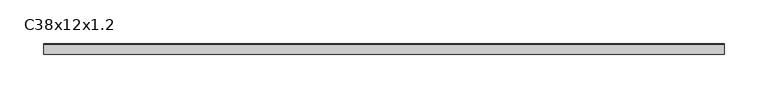
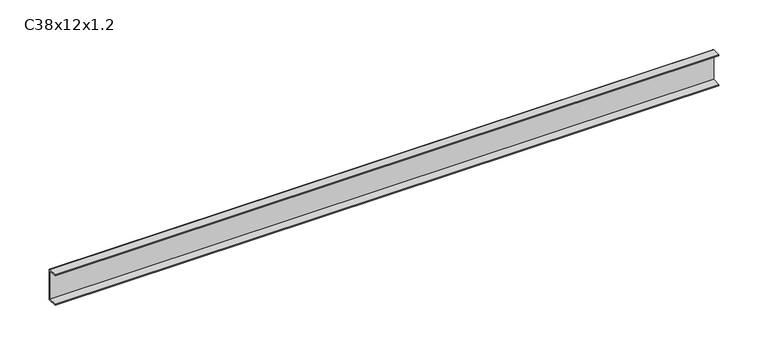
"""IFC4 building model written with IfcOpenShell, lengths in millimetres: proxy geometry, C38x12x1.2."""

from ifc_helpers import new_model, si_unit, point, frame, frame_2d, origin, place, context, project, spatial, polyline, circle_curve, trimmed, segment, composite_curve, outline, extrude, source, transform, mapped, element, save


def c38x12x1_2_ad76190d(model_context):
    return source(origin(), model_context, "Body", "SweptSolid", [
        extrude(outline(composite_curve([segment(polyline([(-6.0, 36.8), (-6.0, 38.0), (4.8, 38.0)]), True, "CONTINUOUS"), segment(trimmed(circle_curve(frame_2d((4.8, 36.8)), 1.2), [point((4.8, 38.0))], [point((6.0, 36.8))], False, "CARTESIAN"), True, "CONTINUOUS"), segment(polyline([(6.0, 36.8), (6.0, 1.2)]), True, "CONTINUOUS"), segment(trimmed(circle_curve(frame_2d((4.8, 1.2)), 1.2), [point((6.0, 1.2))], [point((4.8, 0.0))], False, "CARTESIAN"), True, "CONTINUOUS"), segment(polyline([(4.8, 0.0), (-6.0, 0.0), (-6.0, 1.2), (4.8, 1.2), (4.8, 36.8), (-6.0, 36.8)]), True, "CONTINUOUS")], self_intersect=False)), frame((0.0, 0.0, 0.0), z_axis=(1.0, 0.0, 0.0), x_axis=(0.0, 1.0, 0.0)), (0.0, 0.0, 1.0), 780.0),
    ])


if __name__ == "__main__":
    model = new_model("IFC4")
    model_context = context("Model", 3, world=origin())
    ifc_project = project(units=[si_unit("LENGTHUNIT", "METRE", prefix="MILLI")], contexts=[model_context])
    site = spatial("IfcSite", under=ifc_project)
    building = spatial("IfcBuilding", under=site)
    placement = place(None, origin())
    c38x12x1_2_shape = c38x12x1_2_ad76190d(model_context)
    element("IfcBuildingElementProxy", 1, Name="C38x12x1.2", ObjectType="C38x12x1.2", at=placement, inside=building, context=model_context, shape_type="MappedRepresentation", body=[
        mapped(c38x12x1_2_shape, transform((0.0, 0.0, 0.0), x_axis=(1.0, 0.0, 0.0), y_axis=(0.0, 1.0, 0.0), z_axis=(0.0, 0.0, 1.0))),
    ])
    save(model, "model.ifc")
